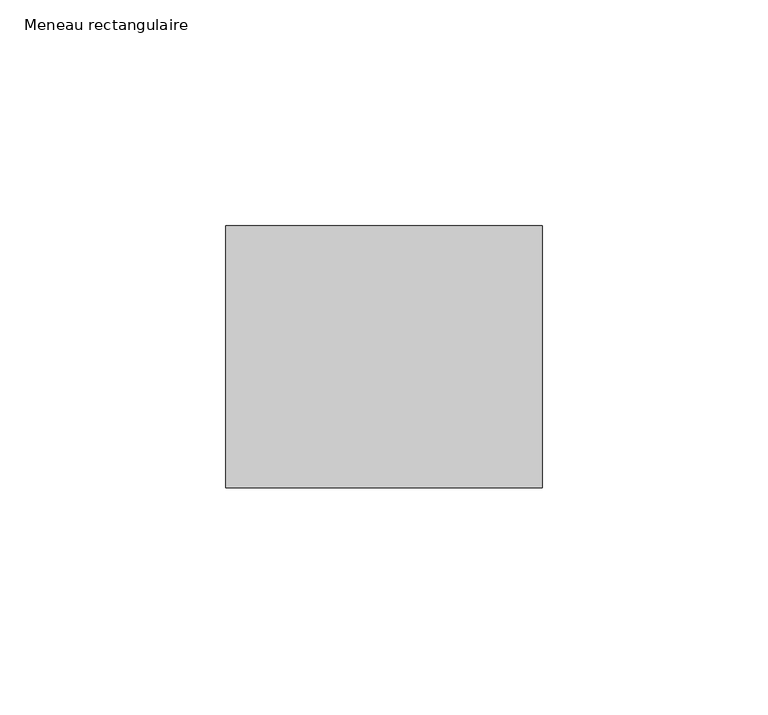
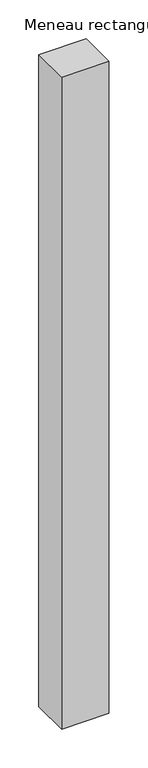
"""IFC4 building model written with IfcOpenShell, lengths in millimetres: member geometry, Meneau rectangulaire."""

from ifc_helpers import new_model, si_unit, frame, origin, place, context, project, spatial, polyline, outline, extrude, source, transform, mapped, element, save


def meneau_rectangulaire_a080ace7(model_context):
    return source(origin(), model_context, "Body", "SweptSolid", [
        extrude(outline(polyline([(0.0, 29.0), (0.0, -29.0), (-70.0, -29.0), (-70.0, 29.0), (0.0, 29.0)])), frame((0.0, 0.0, -1021.8830686), z_axis=(0.0, 0.0, 1.0), x_axis=(1.0, 0.0, 0.0)), (0.0, 0.0, 1.0), 1021.8830686),
    ])


if __name__ == "__main__":
    model = new_model("IFC4")
    model_context = context("Model", 3, world=origin())
    ifc_project = project(units=[si_unit("LENGTHUNIT", "METRE", prefix="MILLI")], contexts=[model_context])
    site = spatial("IfcSite", under=ifc_project)
    building = spatial("IfcBuilding", under=site)
    placement = place(None, origin())
    meneau_rectangulaire_shape = meneau_rectangulaire_a080ace7(model_context)
    element("IfcMember", 1, ObjectType="Meneau rectangulaire", at=placement, inside=building, context=model_context, shape_type="MappedRepresentation", body=[
        mapped(meneau_rectangulaire_shape, transform((0.0, 0.0, 0.0), x_axis=(1.0, 0.0, 0.0), y_axis=(0.0, 1.0, 0.0), z_axis=(0.0, 0.0, 1.0))),
    ])
    save(model, "model.ifc")
